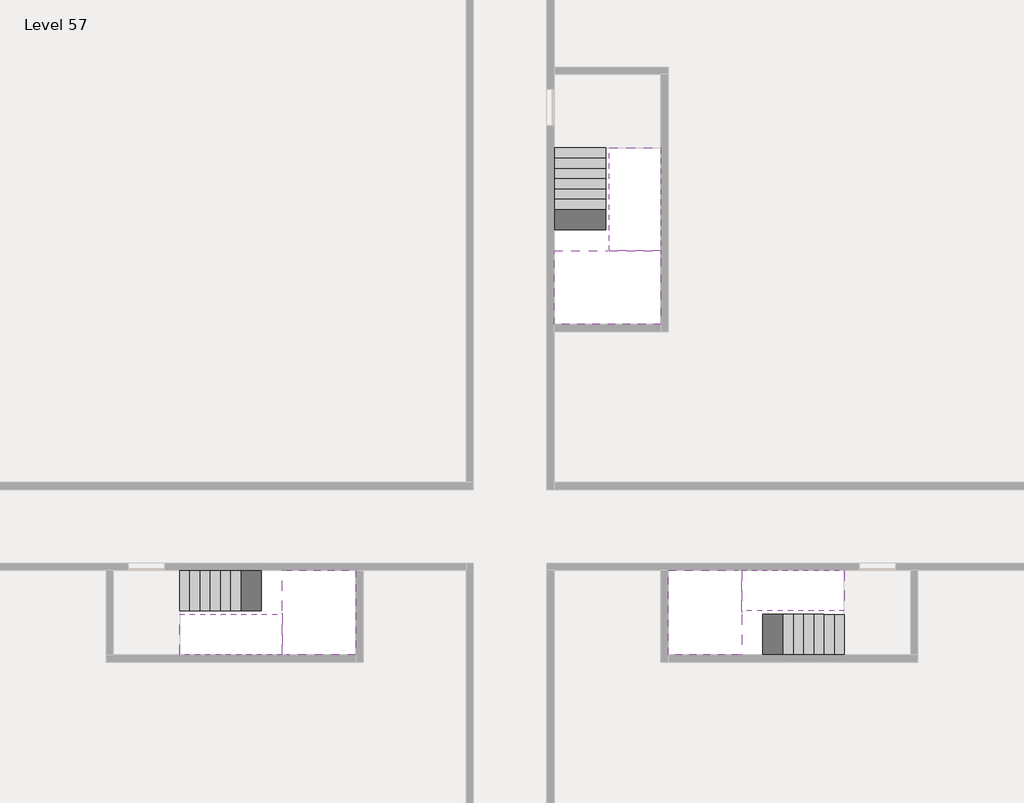
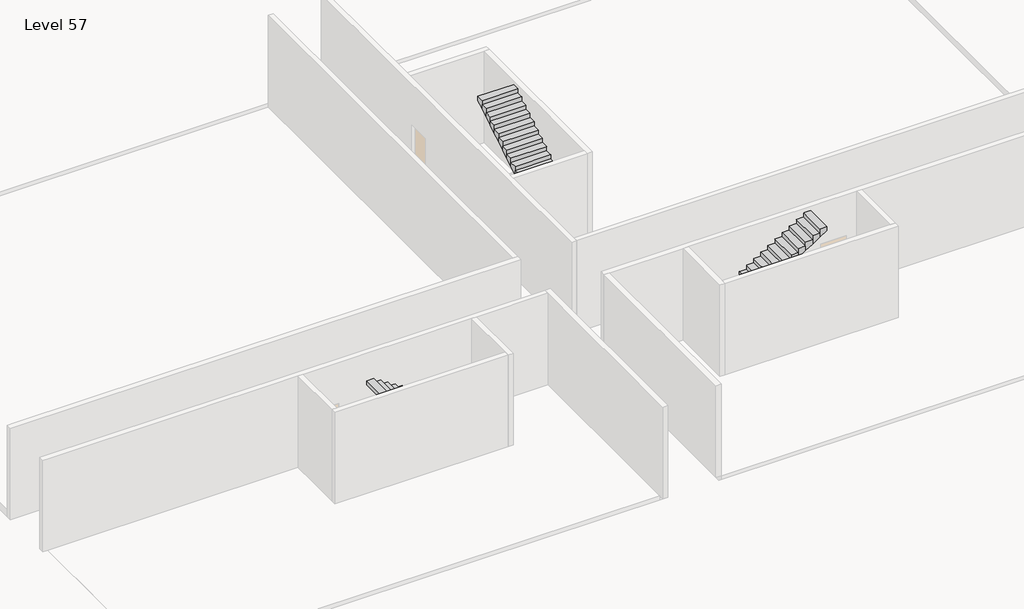
# One storey, part 2 of 2: 6 stair flights, 3 slabs.
"""IFC4 building model written with IfcOpenShell, lengths in millimetres."""

from ifc_helpers import new_model, si_unit, origin, place, context, project, spatial, faceted_brep, element, save

model = new_model("IFC4")

# Units and contexts
model_context = context("Model", 3, world=origin())
ifc_project = project(units=[si_unit("LENGTHUNIT", "METRE", prefix="MILLI")], contexts=[model_context])

# Site, building, storey
site = spatial("IfcSite", under=ifc_project)
building = spatial("IfcBuilding", under=site)
storey = spatial("IfcBuildingStorey", under=building, Name="Level 57", Elevation=212800.0)

# Slabs
placement = place(None, origin())
element("IfcSlab", 1, at=placement, inside=storey, context=model_context, shape_type="Brep", body=[
    faceted_brep([(26790.1058784, -34218.09644, 214700.0), (25390.1058784, -34218.09644, 214700.0), (25390.1058784, -34297.4828763, 214700.0), (25390.1058784, -36218.09644, 214700.0), (28290.1058784, -36218.09644, 214700.0), (28290.1058784, -34418.7100038, 214700.0), (28290.1058784, -34218.09644, 214700.0), (26890.1058784, -34218.09644, 214700.0), (26790.1058784, -34218.09644, 214400.0), (26790.1058784, -34218.09644, 214351.0278478), (25390.1058784, -34218.09644, 214351.0278478), (25390.1058784, -34218.09644, 214527.2727273), (25390.1058784, -34297.4828763, 214400.0), (25390.1058784, -36218.09644, 214400.0), (28290.1058784, -36218.09644, 214400.0), (28290.1058784, -34418.7100038, 214400.0), (28290.1058784, -34218.09644, 214523.7551205), (26890.1058784, -34218.09644, 214523.7551205), (26890.1058784, -34218.09644, 214400.0), (26890.1058784, -34418.7100038, 214400.0), (26790.1058784, -34297.4828763, 214400.0)], [[[0, 1, 2, 3, 4, 5, 6, 7]], [[1, 0, 8, 9, 10, 11]], [[1, 11, 10, 12, 13, 3, 2]], [[4, 3, 13, 14]], [[4, 14, 15, 16, 6, 5]], [[7, 6, 16, 17]], [[0, 7, 17, 18, 8]], [[18, 19, 15, 14, 13, 12, 20, 8]], [[19, 18, 17]], [[20, 12, 10, 9]], [[8, 20, 9]], [[15, 19, 17, 16]]]),
])
element("IfcSlab", 2, at=placement, inside=storey, context=model_context, shape_type="Brep", body=[
    faceted_brep([(30490.1058784, -45218.09644, 214700.0), (30490.1058784, -44118.09644, 214700.0), (30490.1058784, -44018.09644, 214700.0), (30490.1058784, -42918.09644, 214700.0), (30289.4923146, -42918.09644, 214700.0), (28490.1058784, -42918.09644, 214700.0), (28490.1058784, -45218.09644, 214700.0), (30410.7194421, -45218.09644, 214700.0), (30490.1058784, -45218.09644, 214527.2727273), (30490.1058784, -45218.09644, 214351.0278478), (30490.1058784, -44118.09644, 214351.0278478), (30490.1058784, -44118.09644, 214400.0), (30490.1058784, -44018.09644, 214400.0), (30490.1058784, -44018.09644, 214523.7551205), (30490.1058784, -42918.09644, 214523.7551205), (30289.4923146, -42918.09644, 214400.0), (28490.1058784, -42918.09644, 214400.0), (28490.1058784, -45218.09644, 214400.0), (30410.7194421, -45218.09644, 214400.0), (30289.4923146, -44018.09644, 214400.0), (30410.7194421, -44118.09644, 214400.0)], [[[0, 1, 2, 3, 4, 5, 6, 7]], [[1, 0, 8, 9, 10, 11]], [[2, 1, 11, 12, 13]], [[3, 2, 13, 14]], [[3, 14, 15, 16, 5, 4]], [[6, 5, 16, 17]], [[9, 8, 0, 7, 6, 17, 18]], [[19, 12, 11, 20, 18, 17, 16, 15]], [[12, 19, 13]], [[18, 20, 10, 9]], [[20, 11, 10]], [[19, 15, 14, 13]]]),
])
element("IfcSlab", 3, at=placement, inside=storey, context=model_context, shape_type="Brep", body=[
    faceted_brep([(17990.1058784, -42918.09644, 214700.0), (17990.1058784, -44018.09644, 214700.0), (17990.1058784, -44118.09644, 214700.0), (17990.1058784, -45218.09644, 214700.0), (18190.7194421, -45218.09644, 214700.0), (19990.1058784, -45218.09644, 214700.0), (19990.1058784, -42918.09644, 214700.0), (18069.4923146, -42918.09644, 214700.0), (17990.1058784, -42918.09644, 214527.2727273), (17990.1058784, -42918.09644, 214351.0278478), (17990.1058784, -44018.09644, 214351.0278478), (17990.1058784, -44018.09644, 214400.0), (17990.1058784, -44118.09644, 214400.0), (17990.1058784, -44118.09644, 214523.7551205), (17990.1058784, -45218.09644, 214523.7551205), (18190.7194421, -45218.09644, 214400.0), (19990.1058784, -45218.09644, 214400.0), (19990.1058784, -42918.09644, 214400.0), (18069.4923146, -42918.09644, 214400.0), (18190.7194421, -44118.09644, 214400.0), (18069.4923146, -44018.09644, 214400.0)], [[[0, 1, 2, 3, 4, 5, 6, 7]], [[1, 0, 8, 9, 10, 11]], [[2, 1, 11, 12, 13]], [[3, 2, 13, 14]], [[3, 14, 15, 16, 5, 4]], [[6, 5, 16, 17]], [[9, 8, 0, 7, 6, 17, 18]], [[19, 12, 11, 20, 18, 17, 16, 15]], [[12, 19, 13]], [[18, 20, 10, 9]], [[20, 11, 10]], [[19, 15, 14, 13]]]),
])

# Stair flights
element("IfcStairFlight", 4, at=placement, inside=storey, context=model_context, shape_type="Brep", body=[
    faceted_brep([(26790.1058784, -31698.09644, 212972.7272727), (26790.1058784, -31418.09644, 212972.7272727), (25390.1058784, -31418.09644, 212972.7272727), (25390.1058784, -31698.09644, 212972.7272727), (26790.1058784, -31698.09644, 212800.0), (26790.1058784, -31418.09644, 212800.0), (25390.1058784, -31418.09644, 212800.0), (25390.1058784, -31698.09644, 212800.0), (26790.1058784, -31978.09644, 213145.4545455), (26790.1058784, -31698.09644, 213145.4545455), (25390.1058784, -31698.09644, 213145.4545455), (25390.1058784, -31978.09644, 213145.4545455), (26790.1058784, -31978.09644, 212969.209666), (26790.1058784, -31703.7986657, 212800.0), (25390.1058784, -31703.7986657, 212800.0), (25390.1058784, -31978.09644, 212969.209666), (26790.1058784, -32258.09644, 213318.1818182), (26790.1058784, -31978.09644, 213318.1818182), (25390.1058784, -31978.09644, 213318.1818182), (25390.1058784, -32258.09644, 213318.1818182), (26790.1058784, -32258.09644, 213141.9369387), (25390.1058784, -32258.09644, 213141.9369387), (26790.1058784, -32538.09644, 213490.9090909), (26790.1058784, -32258.09644, 213490.9090909), (25390.1058784, -32258.09644, 213490.9090909), (25390.1058784, -32538.09644, 213490.9090909), (26790.1058784, -32538.09644, 213314.6642114), (25390.1058784, -32538.09644, 213314.6642114), (26790.1058784, -32818.09644, 213663.6363636), (26790.1058784, -32538.09644, 213663.6363636), (25390.1058784, -32538.09644, 213663.6363636), (25390.1058784, -32818.09644, 213663.6363636), (26790.1058784, -32818.09644, 213487.3914841), (25390.1058784, -32818.09644, 213487.3914841), (26790.1058784, -33098.09644, 213836.3636364), (26790.1058784, -32818.09644, 213836.3636364), (25390.1058784, -32818.09644, 213836.3636364), (25390.1058784, -33098.09644, 213836.3636364), (26790.1058784, -33098.09644, 213660.1187569), (25390.1058784, -33098.09644, 213660.1187569), (26790.1058784, -33378.09644, 214009.0909091), (26790.1058784, -33098.09644, 214009.0909091), (25390.1058784, -33098.09644, 214009.0909091), (25390.1058784, -33378.09644, 214009.0909091), (26790.1058784, -33378.09644, 213832.8460296), (25390.1058784, -33378.09644, 213832.8460296), (26790.1058784, -33658.09644, 214181.8181818), (26790.1058784, -33378.09644, 214181.8181818), (25390.1058784, -33378.09644, 214181.8181818), (25390.1058784, -33658.09644, 214181.8181818), (26790.1058784, -33658.09644, 214005.5733023), (25390.1058784, -33658.09644, 214005.5733023), (26790.1058784, -33938.09644, 214354.5454545), (26790.1058784, -33658.09644, 214354.5454545), (25390.1058784, -33658.09644, 214354.5454545), (25390.1058784, -33938.09644, 214354.5454545), (26790.1058784, -33938.09644, 214178.3005751), (25390.1058784, -33938.09644, 214178.3005751), (26790.1058784, -34218.09644, 214527.2727273), (26790.1058784, -33938.09644, 214527.2727273), (25390.1058784, -33938.09644, 214527.2727273), (25390.1058784, -34218.09644, 214527.2727273), (26790.1058784, -34218.09644, 214400.0), (26790.1058784, -34218.09644, 214351.0278478), (25390.1058784, -34218.09644, 214351.0278478)], [[[0, 1, 2, 3]], [[1, 0, 4, 5]], [[2, 1, 5, 6]], [[3, 2, 6, 7]], [[8, 9, 10, 11]], [[4, 0, 9, 8, 12, 13]], [[0, 3, 10, 9]], [[3, 7, 14, 15, 11, 10]], [[16, 17, 18, 19]], [[17, 16, 20, 12, 8]], [[8, 11, 18, 17]], [[19, 18, 11, 15, 21]], [[22, 23, 24, 25]], [[23, 22, 26, 20, 16]], [[16, 19, 24, 23]], [[25, 24, 19, 21, 27]], [[28, 29, 30, 31]], [[29, 28, 32, 26, 22]], [[22, 25, 30, 29]], [[31, 30, 25, 27, 33]], [[34, 35, 36, 37]], [[35, 34, 38, 32, 28]], [[28, 31, 36, 35]], [[37, 36, 31, 33, 39]], [[40, 41, 42, 43]], [[41, 40, 44, 38, 34]], [[34, 37, 42, 41]], [[43, 42, 37, 39, 45]], [[46, 47, 48, 49]], [[47, 46, 50, 44, 40]], [[40, 43, 48, 47]], [[49, 48, 43, 45, 51]], [[52, 53, 54, 55]], [[53, 52, 56, 50, 46]], [[46, 49, 54, 53]], [[55, 54, 49, 51, 57]], [[58, 59, 60, 61]], [[59, 58, 62, 63, 56, 52]], [[52, 55, 60, 59]], [[61, 60, 55, 57, 64]], [[58, 61, 64, 63, 62]], [[5, 4, 13, 14, 7, 6]], [[14, 13, 12, 20, 26, 32, 38, 44, 50, 56, 63, 64, 57, 51, 45, 39, 33, 27, 21, 15]]]),
])
element("IfcStairFlight", 5, at=placement, inside=storey, context=model_context, shape_type="Brep", body=[
    faceted_brep([(26890.1058784, -33938.09644, 214872.7272727), (26890.1058784, -34218.09644, 214872.7272727), (28290.1058784, -34218.09644, 214872.7272727), (28290.1058784, -33938.09644, 214872.7272727), (26890.1058784, -33938.09644, 214696.4823932), (26890.1058784, -34218.09644, 214523.7551205), (28290.1058784, -34218.09644, 214523.7551205), (28290.1058784, -34218.09644, 214700.0), (28290.1058784, -33938.09644, 214696.4823932), (26890.1058784, -33658.09644, 215045.4545455), (26890.1058784, -33938.09644, 215045.4545455), (28290.1058784, -33938.09644, 215045.4545455), (28290.1058784, -33658.09644, 215045.4545455), (26890.1058784, -33658.09644, 214869.209666), (28290.1058784, -33658.09644, 214869.209666), (26890.1058784, -33378.09644, 215218.1818182), (26890.1058784, -33658.09644, 215218.1818182), (28290.1058784, -33658.09644, 215218.1818182), (28290.1058784, -33378.09644, 215218.1818182), (26890.1058784, -33378.09644, 215041.9369387), (28290.1058784, -33378.09644, 215041.9369387), (26890.1058784, -33098.09644, 215390.9090909), (26890.1058784, -33378.09644, 215390.9090909), (28290.1058784, -33378.09644, 215390.9090909), (28290.1058784, -33098.09644, 215390.9090909), (26890.1058784, -33098.09644, 215214.6642114), (28290.1058784, -33098.09644, 215214.6642114), (26890.1058784, -32818.09644, 215563.6363636), (26890.1058784, -33098.09644, 215563.6363636), (28290.1058784, -33098.09644, 215563.6363636), (28290.1058784, -32818.09644, 215563.6363636), (26890.1058784, -32818.09644, 215387.3914841), (28290.1058784, -32818.09644, 215387.3914841), (26890.1058784, -32538.09644, 215736.3636364), (26890.1058784, -32818.09644, 215736.3636364), (28290.1058784, -32818.09644, 215736.3636364), (28290.1058784, -32538.09644, 215736.3636364), (26890.1058784, -32538.09644, 215560.1187569), (28290.1058784, -32538.09644, 215560.1187569), (26890.1058784, -32258.09644, 215909.0909091), (26890.1058784, -32538.09644, 215909.0909091), (28290.1058784, -32538.09644, 215909.0909091), (28290.1058784, -32258.09644, 215909.0909091), (26890.1058784, -32258.09644, 215732.8460296), (28290.1058784, -32258.09644, 215732.8460296), (26890.1058784, -31978.09644, 216081.8181818), (26890.1058784, -32258.09644, 216081.8181818), (28290.1058784, -32258.09644, 216081.8181818), (28290.1058784, -31978.09644, 216081.8181818), (26890.1058784, -31978.09644, 215905.5733023), (28290.1058784, -31978.09644, 215905.5733023), (26890.1058784, -31698.09644, 216254.5454545), (26890.1058784, -31978.09644, 216254.5454545), (28290.1058784, -31978.09644, 216254.5454545), (28290.1058784, -31698.09644, 216254.5454545), (26890.1058784, -31698.09644, 216078.3005751), (28290.1058784, -31698.09644, 216078.3005751), (26890.1058784, -31418.09644, 216427.2727273), (26890.1058784, -31698.09644, 216427.2727273), (28290.1058784, -31698.09644, 216427.2727273), (28290.1058784, -31418.09644, 216427.2727273), (26890.1058784, -31418.09644, 216251.0278478), (28290.1058784, -31418.09644, 216251.0278478)], [[[0, 1, 2, 3]], [[1, 0, 4, 5]], [[2, 1, 5, 6, 7]], [[3, 2, 7, 6, 8]], [[9, 10, 11, 12]], [[10, 9, 13, 4, 0]], [[11, 10, 0, 3]], [[12, 11, 3, 8, 14]], [[15, 16, 17, 18]], [[16, 15, 19, 13, 9]], [[17, 16, 9, 12]], [[18, 17, 12, 14, 20]], [[21, 22, 23, 24]], [[22, 21, 25, 19, 15]], [[23, 22, 15, 18]], [[24, 23, 18, 20, 26]], [[27, 28, 29, 30]], [[28, 27, 31, 25, 21]], [[29, 28, 21, 24]], [[30, 29, 24, 26, 32]], [[33, 34, 35, 36]], [[34, 33, 37, 31, 27]], [[35, 34, 27, 30]], [[36, 35, 30, 32, 38]], [[39, 40, 41, 42]], [[40, 39, 43, 37, 33]], [[41, 40, 33, 36]], [[42, 41, 36, 38, 44]], [[45, 46, 47, 48]], [[46, 45, 49, 43, 39]], [[47, 46, 39, 42]], [[48, 47, 42, 44, 50]], [[51, 52, 53, 54]], [[52, 51, 55, 49, 45]], [[53, 52, 45, 48]], [[54, 53, 48, 50, 56]], [[57, 58, 59, 60]], [[58, 57, 61, 55, 51]], [[59, 58, 51, 54]], [[60, 59, 54, 56, 62]], [[57, 60, 62, 61]], [[5, 4, 13, 19, 25, 31, 37, 43, 49, 55, 61, 62, 56, 50, 44, 38, 32, 26, 20, 14, 8, 6]]]),
])
element("IfcStairFlight", 6, at=placement, inside=storey, context=model_context, shape_type="Brep", body=[
    faceted_brep([(33010.1058784, -45218.09644, 212972.7272727), (33290.1058784, -45218.09644, 212972.7272727), (33290.1058784, -44118.09644, 212972.7272727), (33010.1058784, -44118.09644, 212972.7272727), (33010.1058784, -45218.09644, 212800.0), (33290.1058784, -45218.09644, 212800.0), (33290.1058784, -44118.09644, 212800.0), (33010.1058784, -44118.09644, 212800.0), (32730.1058784, -45218.09644, 213145.4545455), (33010.1058784, -45218.09644, 213145.4545455), (33010.1058784, -44118.09644, 213145.4545455), (32730.1058784, -44118.09644, 213145.4545455), (32730.1058784, -45218.09644, 212969.209666), (33004.4036527, -45218.09644, 212800.0), (33004.4036527, -44118.09644, 212800.0), (32730.1058784, -44118.09644, 212969.209666), (32450.1058784, -45218.09644, 213318.1818182), (32730.1058784, -45218.09644, 213318.1818182), (32730.1058784, -44118.09644, 213318.1818182), (32450.1058784, -44118.09644, 213318.1818182), (32450.1058784, -45218.09644, 213141.9369387), (32450.1058784, -44118.09644, 213141.9369387), (32170.1058784, -45218.09644, 213490.9090909), (32450.1058784, -45218.09644, 213490.9090909), (32450.1058784, -44118.09644, 213490.9090909), (32170.1058784, -44118.09644, 213490.9090909), (32170.1058784, -45218.09644, 213314.6642114), (32170.1058784, -44118.09644, 213314.6642114), (31890.1058784, -45218.09644, 213663.6363636), (32170.1058784, -45218.09644, 213663.6363636), (32170.1058784, -44118.09644, 213663.6363636), (31890.1058784, -44118.09644, 213663.6363636), (31890.1058784, -45218.09644, 213487.3914841), (31890.1058784, -44118.09644, 213487.3914841), (31610.1058784, -45218.09644, 213836.3636364), (31890.1058784, -45218.09644, 213836.3636364), (31890.1058784, -44118.09644, 213836.3636364), (31610.1058784, -44118.09644, 213836.3636364), (31610.1058784, -45218.09644, 213660.1187569), (31610.1058784, -44118.09644, 213660.1187569), (31330.1058784, -45218.09644, 214009.0909091), (31610.1058784, -45218.09644, 214009.0909091), (31610.1058784, -44118.09644, 214009.0909091), (31330.1058784, -44118.09644, 214009.0909091), (31330.1058784, -45218.09644, 213832.8460296), (31330.1058784, -44118.09644, 213832.8460296), (31050.1058784, -45218.09644, 214181.8181818), (31330.1058784, -45218.09644, 214181.8181818), (31330.1058784, -44118.09644, 214181.8181818), (31050.1058784, -44118.09644, 214181.8181818), (31050.1058784, -45218.09644, 214005.5733023), (31050.1058784, -44118.09644, 214005.5733023), (30770.1058784, -45218.09644, 214354.5454545), (31050.1058784, -45218.09644, 214354.5454545), (31050.1058784, -44118.09644, 214354.5454545), (30770.1058784, -44118.09644, 214354.5454545), (30770.1058784, -45218.09644, 214178.3005751), (30770.1058784, -44118.09644, 214178.3005751), (30490.1058784, -45218.09644, 214527.2727273), (30770.1058784, -45218.09644, 214527.2727273), (30770.1058784, -44118.09644, 214527.2727273), (30490.1058784, -44118.09644, 214527.2727273), (30490.1058784, -45218.09644, 214351.0278478), (30490.1058784, -44118.09644, 214351.0278478), (30490.1058784, -44118.09644, 214400.0)], [[[0, 1, 2, 3]], [[1, 0, 4, 5]], [[2, 1, 5, 6]], [[3, 2, 6, 7]], [[8, 9, 10, 11]], [[4, 0, 9, 8, 12, 13]], [[0, 3, 10, 9]], [[3, 7, 14, 15, 11, 10]], [[16, 17, 18, 19]], [[17, 16, 20, 12, 8]], [[8, 11, 18, 17]], [[19, 18, 11, 15, 21]], [[22, 23, 24, 25]], [[23, 22, 26, 20, 16]], [[16, 19, 24, 23]], [[25, 24, 19, 21, 27]], [[28, 29, 30, 31]], [[29, 28, 32, 26, 22]], [[22, 25, 30, 29]], [[31, 30, 25, 27, 33]], [[34, 35, 36, 37]], [[35, 34, 38, 32, 28]], [[28, 31, 36, 35]], [[37, 36, 31, 33, 39]], [[40, 41, 42, 43]], [[41, 40, 44, 38, 34]], [[34, 37, 42, 41]], [[43, 42, 37, 39, 45]], [[46, 47, 48, 49]], [[47, 46, 50, 44, 40]], [[40, 43, 48, 47]], [[49, 48, 43, 45, 51]], [[52, 53, 54, 55]], [[53, 52, 56, 50, 46]], [[46, 49, 54, 53]], [[55, 54, 49, 51, 57]], [[58, 59, 60, 61]], [[59, 58, 62, 56, 52]], [[52, 55, 60, 59]], [[61, 60, 55, 57, 63, 64]], [[58, 61, 64, 63, 62]], [[5, 4, 13, 14, 7, 6]], [[14, 13, 12, 20, 26, 32, 38, 44, 50, 56, 62, 63, 57, 51, 45, 39, 33, 27, 21, 15]]]),
])
element("IfcStairFlight", 7, at=placement, inside=storey, context=model_context, shape_type="Brep", body=[
    faceted_brep([(30770.1058784, -42918.09644, 214872.7272727), (30490.1058784, -42918.09644, 214872.7272727), (30490.1058784, -44018.09644, 214872.7272727), (30770.1058784, -44018.09644, 214872.7272727), (30770.1058784, -42918.09644, 214696.4823932), (30490.1058784, -42918.09644, 214523.7551205), (30490.1058784, -42918.09644, 214700.0), (30490.1058784, -44018.09644, 214523.7551205), (30770.1058784, -44018.09644, 214696.4823932), (31050.1058784, -42918.09644, 215045.4545455), (30770.1058784, -42918.09644, 215045.4545455), (30770.1058784, -44018.09644, 215045.4545455), (31050.1058784, -44018.09644, 215045.4545455), (31050.1058784, -42918.09644, 214869.209666), (31050.1058784, -44018.09644, 214869.209666), (31330.1058784, -42918.09644, 215218.1818182), (31050.1058784, -42918.09644, 215218.1818182), (31050.1058784, -44018.09644, 215218.1818182), (31330.1058784, -44018.09644, 215218.1818182), (31330.1058784, -42918.09644, 215041.9369387), (31330.1058784, -44018.09644, 215041.9369387), (31610.1058784, -42918.09644, 215390.9090909), (31330.1058784, -42918.09644, 215390.9090909), (31330.1058784, -44018.09644, 215390.9090909), (31610.1058784, -44018.09644, 215390.9090909), (31610.1058784, -42918.09644, 215214.6642114), (31610.1058784, -44018.09644, 215214.6642114), (31890.1058784, -42918.09644, 215563.6363636), (31610.1058784, -42918.09644, 215563.6363636), (31610.1058784, -44018.09644, 215563.6363636), (31890.1058784, -44018.09644, 215563.6363636), (31890.1058784, -42918.09644, 215387.3914841), (31890.1058784, -44018.09644, 215387.3914841), (32170.1058784, -42918.09644, 215736.3636364), (31890.1058784, -42918.09644, 215736.3636364), (31890.1058784, -44018.09644, 215736.3636364), (32170.1058784, -44018.09644, 215736.3636364), (32170.1058784, -42918.09644, 215560.1187569), (32170.1058784, -44018.09644, 215560.1187569), (32450.1058784, -42918.09644, 215909.0909091), (32170.1058784, -42918.09644, 215909.0909091), (32170.1058784, -44018.09644, 215909.0909091), (32450.1058784, -44018.09644, 215909.0909091), (32450.1058784, -42918.09644, 215732.8460296), (32450.1058784, -44018.09644, 215732.8460296), (32730.1058784, -42918.09644, 216081.8181818), (32450.1058784, -42918.09644, 216081.8181818), (32450.1058784, -44018.09644, 216081.8181818), (32730.1058784, -44018.09644, 216081.8181818), (32730.1058784, -42918.09644, 215905.5733023), (32730.1058784, -44018.09644, 215905.5733023), (33010.1058784, -42918.09644, 216254.5454545), (32730.1058784, -42918.09644, 216254.5454545), (32730.1058784, -44018.09644, 216254.5454545), (33010.1058784, -44018.09644, 216254.5454545), (33010.1058784, -42918.09644, 216078.3005751), (33010.1058784, -44018.09644, 216078.3005751), (33290.1058784, -42918.09644, 216427.2727273), (33010.1058784, -42918.09644, 216427.2727273), (33010.1058784, -44018.09644, 216427.2727273), (33290.1058784, -44018.09644, 216427.2727273), (33290.1058784, -42918.09644, 216251.0278478), (33290.1058784, -44018.09644, 216251.0278478)], [[[0, 1, 2, 3]], [[1, 0, 4, 5, 6]], [[2, 1, 6, 5, 7]], [[3, 2, 7, 8]], [[9, 10, 11, 12]], [[10, 9, 13, 4, 0]], [[11, 10, 0, 3]], [[12, 11, 3, 8, 14]], [[15, 16, 17, 18]], [[16, 15, 19, 13, 9]], [[17, 16, 9, 12]], [[18, 17, 12, 14, 20]], [[21, 22, 23, 24]], [[22, 21, 25, 19, 15]], [[23, 22, 15, 18]], [[24, 23, 18, 20, 26]], [[27, 28, 29, 30]], [[28, 27, 31, 25, 21]], [[29, 28, 21, 24]], [[30, 29, 24, 26, 32]], [[33, 34, 35, 36]], [[34, 33, 37, 31, 27]], [[35, 34, 27, 30]], [[36, 35, 30, 32, 38]], [[39, 40, 41, 42]], [[40, 39, 43, 37, 33]], [[41, 40, 33, 36]], [[42, 41, 36, 38, 44]], [[45, 46, 47, 48]], [[46, 45, 49, 43, 39]], [[47, 46, 39, 42]], [[48, 47, 42, 44, 50]], [[51, 52, 53, 54]], [[52, 51, 55, 49, 45]], [[53, 52, 45, 48]], [[54, 53, 48, 50, 56]], [[57, 58, 59, 60]], [[58, 57, 61, 55, 51]], [[59, 58, 51, 54]], [[60, 59, 54, 56, 62]], [[57, 60, 62, 61]], [[5, 4, 13, 19, 25, 31, 37, 43, 49, 55, 61, 62, 56, 50, 44, 38, 32, 26, 20, 14, 8, 7]]]),
])
element("IfcStairFlight", 8, at=placement, inside=storey, context=model_context, shape_type="Brep", body=[
    faceted_brep([(15470.1058784, -42918.09644, 212972.7272727), (15190.1058784, -42918.09644, 212972.7272727), (15190.1058784, -44018.09644, 212972.7272727), (15470.1058784, -44018.09644, 212972.7272727), (15470.1058784, -42918.09644, 212800.0), (15190.1058784, -42918.09644, 212800.0), (15190.1058784, -44018.09644, 212800.0), (15470.1058784, -44018.09644, 212800.0), (15750.1058784, -42918.09644, 213145.4545455), (15470.1058784, -42918.09644, 213145.4545455), (15470.1058784, -44018.09644, 213145.4545455), (15750.1058784, -44018.09644, 213145.4545455), (15750.1058784, -42918.09644, 212969.209666), (15475.8081041, -42918.09644, 212800.0), (15475.8081041, -44018.09644, 212800.0), (15750.1058784, -44018.09644, 212969.209666), (16030.1058784, -42918.09644, 213318.1818182), (15750.1058784, -42918.09644, 213318.1818182), (15750.1058784, -44018.09644, 213318.1818182), (16030.1058784, -44018.09644, 213318.1818182), (16030.1058784, -42918.09644, 213141.9369387), (16030.1058784, -44018.09644, 213141.9369387), (16310.1058784, -42918.09644, 213490.9090909), (16030.1058784, -42918.09644, 213490.9090909), (16030.1058784, -44018.09644, 213490.9090909), (16310.1058784, -44018.09644, 213490.9090909), (16310.1058784, -42918.09644, 213314.6642114), (16310.1058784, -44018.09644, 213314.6642114), (16590.1058784, -42918.09644, 213663.6363636), (16310.1058784, -42918.09644, 213663.6363636), (16310.1058784, -44018.09644, 213663.6363636), (16590.1058784, -44018.09644, 213663.6363636), (16590.1058784, -42918.09644, 213487.3914841), (16590.1058784, -44018.09644, 213487.3914841), (16870.1058784, -42918.09644, 213836.3636364), (16590.1058784, -42918.09644, 213836.3636364), (16590.1058784, -44018.09644, 213836.3636364), (16870.1058784, -44018.09644, 213836.3636364), (16870.1058784, -42918.09644, 213660.1187569), (16870.1058784, -44018.09644, 213660.1187569), (17150.1058784, -42918.09644, 214009.0909091), (16870.1058784, -42918.09644, 214009.0909091), (16870.1058784, -44018.09644, 214009.0909091), (17150.1058784, -44018.09644, 214009.0909091), (17150.1058784, -42918.09644, 213832.8460296), (17150.1058784, -44018.09644, 213832.8460296), (17430.1058784, -42918.09644, 214181.8181818), (17150.1058784, -42918.09644, 214181.8181818), (17150.1058784, -44018.09644, 214181.8181818), (17430.1058784, -44018.09644, 214181.8181818), (17430.1058784, -42918.09644, 214005.5733023), (17430.1058784, -44018.09644, 214005.5733023), (17710.1058784, -42918.09644, 214354.5454545), (17430.1058784, -42918.09644, 214354.5454545), (17430.1058784, -44018.09644, 214354.5454545), (17710.1058784, -44018.09644, 214354.5454545), (17710.1058784, -42918.09644, 214178.3005751), (17710.1058784, -44018.09644, 214178.3005751), (17990.1058784, -42918.09644, 214527.2727273), (17710.1058784, -42918.09644, 214527.2727273), (17710.1058784, -44018.09644, 214527.2727273), (17990.1058784, -44018.09644, 214527.2727273), (17990.1058784, -42918.09644, 214351.0278478), (17990.1058784, -44018.09644, 214351.0278478), (17990.1058784, -44018.09644, 214400.0)], [[[0, 1, 2, 3]], [[1, 0, 4, 5]], [[2, 1, 5, 6]], [[3, 2, 6, 7]], [[8, 9, 10, 11]], [[4, 0, 9, 8, 12, 13]], [[0, 3, 10, 9]], [[3, 7, 14, 15, 11, 10]], [[16, 17, 18, 19]], [[17, 16, 20, 12, 8]], [[8, 11, 18, 17]], [[19, 18, 11, 15, 21]], [[22, 23, 24, 25]], [[23, 22, 26, 20, 16]], [[16, 19, 24, 23]], [[25, 24, 19, 21, 27]], [[28, 29, 30, 31]], [[29, 28, 32, 26, 22]], [[22, 25, 30, 29]], [[31, 30, 25, 27, 33]], [[34, 35, 36, 37]], [[35, 34, 38, 32, 28]], [[28, 31, 36, 35]], [[37, 36, 31, 33, 39]], [[40, 41, 42, 43]], [[41, 40, 44, 38, 34]], [[34, 37, 42, 41]], [[43, 42, 37, 39, 45]], [[46, 47, 48, 49]], [[47, 46, 50, 44, 40]], [[40, 43, 48, 47]], [[49, 48, 43, 45, 51]], [[52, 53, 54, 55]], [[53, 52, 56, 50, 46]], [[46, 49, 54, 53]], [[55, 54, 49, 51, 57]], [[58, 59, 60, 61]], [[59, 58, 62, 56, 52]], [[52, 55, 60, 59]], [[61, 60, 55, 57, 63, 64]], [[58, 61, 64, 63, 62]], [[5, 4, 13, 14, 7, 6]], [[14, 13, 12, 20, 26, 32, 38, 44, 50, 56, 62, 63, 57, 51, 45, 39, 33, 27, 21, 15]]]),
])
element("IfcStairFlight", 9, at=placement, inside=storey, context=model_context, shape_type="Brep", body=[
    faceted_brep([(17710.1058784, -45218.09644, 214872.7272727), (17990.1058784, -45218.09644, 214872.7272727), (17990.1058784, -44118.09644, 214872.7272727), (17710.1058784, -44118.09644, 214872.7272727), (17710.1058784, -45218.09644, 214696.4823932), (17990.1058784, -45218.09644, 214523.7551205), (17990.1058784, -45218.09644, 214700.0), (17990.1058784, -44118.09644, 214523.7551205), (17710.1058784, -44118.09644, 214696.4823932), (17430.1058784, -45218.09644, 215045.4545455), (17710.1058784, -45218.09644, 215045.4545455), (17710.1058784, -44118.09644, 215045.4545455), (17430.1058784, -44118.09644, 215045.4545455), (17430.1058784, -45218.09644, 214869.209666), (17430.1058784, -44118.09644, 214869.209666), (17150.1058784, -45218.09644, 215218.1818182), (17430.1058784, -45218.09644, 215218.1818182), (17430.1058784, -44118.09644, 215218.1818182), (17150.1058784, -44118.09644, 215218.1818182), (17150.1058784, -45218.09644, 215041.9369387), (17150.1058784, -44118.09644, 215041.9369387), (16870.1058784, -45218.09644, 215390.9090909), (17150.1058784, -45218.09644, 215390.9090909), (17150.1058784, -44118.09644, 215390.9090909), (16870.1058784, -44118.09644, 215390.9090909), (16870.1058784, -45218.09644, 215214.6642114), (16870.1058784, -44118.09644, 215214.6642114), (16590.1058784, -45218.09644, 215563.6363636), (16870.1058784, -45218.09644, 215563.6363636), (16870.1058784, -44118.09644, 215563.6363636), (16590.1058784, -44118.09644, 215563.6363636), (16590.1058784, -45218.09644, 215387.3914841), (16590.1058784, -44118.09644, 215387.3914841), (16310.1058784, -45218.09644, 215736.3636364), (16590.1058784, -45218.09644, 215736.3636364), (16590.1058784, -44118.09644, 215736.3636364), (16310.1058784, -44118.09644, 215736.3636364), (16310.1058784, -45218.09644, 215560.1187569), (16310.1058784, -44118.09644, 215560.1187569), (16030.1058784, -45218.09644, 215909.0909091), (16310.1058784, -45218.09644, 215909.0909091), (16310.1058784, -44118.09644, 215909.0909091), (16030.1058784, -44118.09644, 215909.0909091), (16030.1058784, -45218.09644, 215732.8460296), (16030.1058784, -44118.09644, 215732.8460296), (15750.1058784, -45218.09644, 216081.8181818), (16030.1058784, -45218.09644, 216081.8181818), (16030.1058784, -44118.09644, 216081.8181818), (15750.1058784, -44118.09644, 216081.8181818), (15750.1058784, -45218.09644, 215905.5733023), (15750.1058784, -44118.09644, 215905.5733023), (15470.1058784, -45218.09644, 216254.5454545), (15750.1058784, -45218.09644, 216254.5454545), (15750.1058784, -44118.09644, 216254.5454545), (15470.1058784, -44118.09644, 216254.5454545), (15470.1058784, -45218.09644, 216078.3005751), (15470.1058784, -44118.09644, 216078.3005751), (15190.1058784, -45218.09644, 216427.2727273), (15470.1058784, -45218.09644, 216427.2727273), (15470.1058784, -44118.09644, 216427.2727273), (15190.1058784, -44118.09644, 216427.2727273), (15190.1058784, -45218.09644, 216251.0278478), (15190.1058784, -44118.09644, 216251.0278478)], [[[0, 1, 2, 3]], [[1, 0, 4, 5, 6]], [[2, 1, 6, 5, 7]], [[3, 2, 7, 8]], [[9, 10, 11, 12]], [[10, 9, 13, 4, 0]], [[11, 10, 0, 3]], [[12, 11, 3, 8, 14]], [[15, 16, 17, 18]], [[16, 15, 19, 13, 9]], [[17, 16, 9, 12]], [[18, 17, 12, 14, 20]], [[21, 22, 23, 24]], [[22, 21, 25, 19, 15]], [[23, 22, 15, 18]], [[24, 23, 18, 20, 26]], [[27, 28, 29, 30]], [[28, 27, 31, 25, 21]], [[29, 28, 21, 24]], [[30, 29, 24, 26, 32]], [[33, 34, 35, 36]], [[34, 33, 37, 31, 27]], [[35, 34, 27, 30]], [[36, 35, 30, 32, 38]], [[39, 40, 41, 42]], [[40, 39, 43, 37, 33]], [[41, 40, 33, 36]], [[42, 41, 36, 38, 44]], [[45, 46, 47, 48]], [[46, 45, 49, 43, 39]], [[47, 46, 39, 42]], [[48, 47, 42, 44, 50]], [[51, 52, 53, 54]], [[52, 51, 55, 49, 45]], [[53, 52, 45, 48]], [[54, 53, 48, 50, 56]], [[57, 58, 59, 60]], [[58, 57, 61, 55, 51]], [[59, 58, 51, 54]], [[60, 59, 54, 56, 62]], [[57, 60, 62, 61]], [[5, 4, 13, 19, 25, 31, 37, 43, 49, 55, 61, 62, 56, 50, 44, 38, 32, 26, 20, 14, 8, 7]]]),
])

save(model, "model.ifc")
